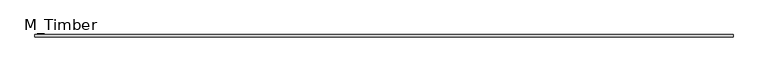
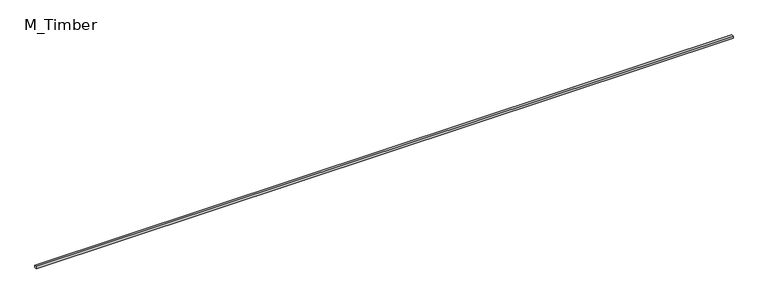
"""IFC4 building model written with IfcOpenShell, lengths in millimetres: beam geometry, M_Timber."""

from ifc_helpers import new_model, si_unit, frame, origin, place, context, project, spatial, polyline, outline, extrude, source, transform, mapped, element, save


def m_timber_5e386972(model_context):
    return source(origin(), model_context, "Body", "SweptSolid", [
        extrude(outline(polyline([(6152.4131577, 20.0), (6152.4131577, -20.0), (-6152.4131577, -20.0), (-6152.4131577, 20.0), (6152.4131577, 20.0)])), frame((0.0, 0.0, -20.0), z_axis=(0.0, 0.0, 1.0), x_axis=(1.0, 0.0, 0.0)), (0.0, 0.0, 1.0), 40.0),
    ])


if __name__ == "__main__":
    model = new_model("IFC4")
    model_context = context("Model", 3, world=origin())
    ifc_project = project(units=[si_unit("LENGTHUNIT", "METRE", prefix="MILLI")], contexts=[model_context])
    site = spatial("IfcSite", under=ifc_project)
    building = spatial("IfcBuilding", under=site)
    placement = place(None, origin())
    m_timber_shape = m_timber_5e386972(model_context)
    element("IfcBeam", 1, ObjectType="M_Timber", at=placement, inside=building, context=model_context, shape_type="MappedRepresentation", body=[
        mapped(m_timber_shape, transform((0.0, 0.0, 0.0), x_axis=(1.0, 0.0, 0.0), y_axis=(0.0, 1.0, 0.0), z_axis=(0.0, 0.0, 1.0))),
    ])
    save(model, "model.ifc")
